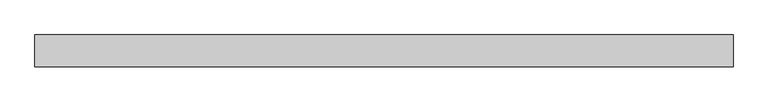
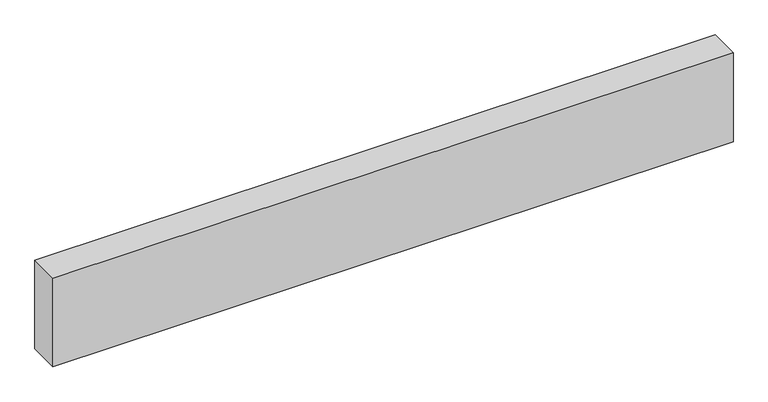
"""IFC4 building model written with IfcOpenShell, lengths in millimetres: proxy geometry."""

from ifc_helpers import new_model, si_unit, origin, origin_with_axes, place, context, project, spatial, polyline, outline, extrude, source, transform, mapped, element, save


def generic_models_8df1b5fa(model_context):
    return source(origin(), model_context, "Body", "SweptSolid", [
        extrude(outline(polyline([(2176.350084, 0.0), (2176.350084, -100.0), (0.0, -100.0), (0.0, 0.0), (2176.350084, 0.0)])), origin_with_axes(), (0.0, 0.0, 1.0), 300.0),
    ])


if __name__ == "__main__":
    model = new_model("IFC4")
    model_context = context("Model", 3, world=origin())
    ifc_project = project(units=[si_unit("LENGTHUNIT", "METRE", prefix="MILLI")], contexts=[model_context])
    site = spatial("IfcSite", under=ifc_project)
    building = spatial("IfcBuilding", under=site)
    placement = place(None, origin())
    generic_models_shape = generic_models_8df1b5fa(model_context)
    element("IfcBuildingElementProxy", 1, Name="Generic Models", at=placement, inside=building, context=model_context, shape_type="MappedRepresentation", body=[
        mapped(generic_models_shape, transform((0.0, 0.0, 0.0), x_axis=(1.0, 0.0, 0.0), y_axis=(0.0, 1.0, 0.0), z_axis=(0.0, 0.0, 1.0))),
    ])
    save(model, "model.ifc")
